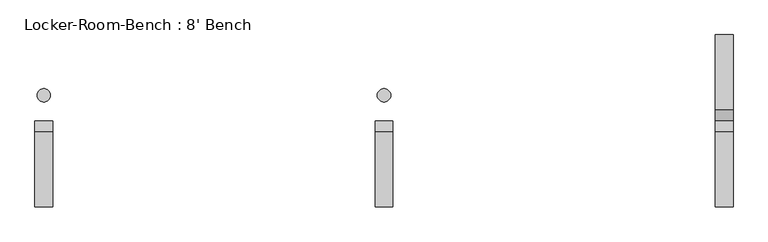
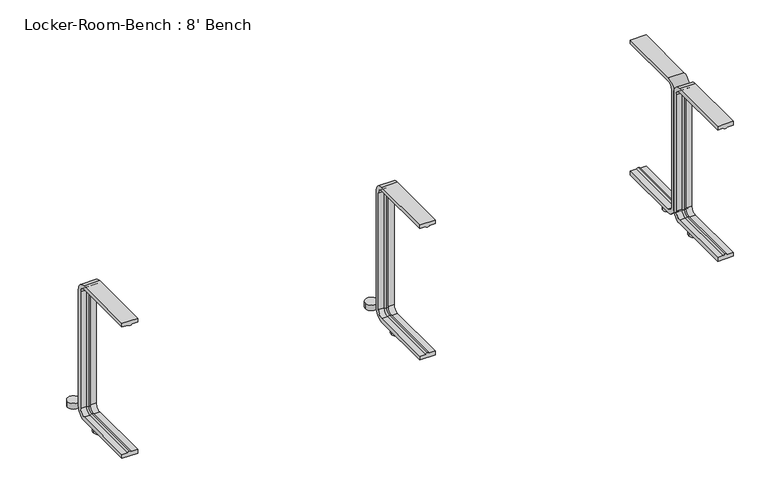
"""IFC4 building model written with IfcOpenShell, lengths in millimetres: proxy geometry, Locker-Room-Bench : 8' Bench."""

from ifc_helpers import new_model, si_unit, point, frame, frame_2d, origin, origin_with_axes, place, context, project, spatial, polyline, circle_curve, ellipse_curve, trimmed, segment, composite_curve, outline, extrude, source, transform, mapped, element, save
from ifc_brep_helpers import plane_surface, cylinder_surface, revolved_surface, advanced_brep


def locker_room_bench_8_bench_313e09f8(model_context):
    return source(origin(), model_context, "Body", "SolidModel", [
        extrude(outline(composite_curve([segment(trimmed(circle_curve(frame_2d((764.4, 57.5)), 15.0), [point((749.4, 57.5))], [point((779.4, 57.5))], False, "CARTESIAN"), True, "CONTINUOUS"), segment(trimmed(circle_curve(frame_2d((764.4, 57.5)), 15.0), [point((779.4, 57.5))], [point((749.4, 57.5))], False, "CARTESIAN"), True, "CONTINUOUS")], self_intersect=False)), origin_with_axes(), (0.0, 0.0, 1.0), 15.0),
        extrude(outline(composite_curve([segment(trimmed(circle_curve(frame_2d((764.4, -57.5)), 15.0), [point((749.4, -57.5))], [point((779.4, -57.5))], False, "CARTESIAN"), True, "CONTINUOUS"), segment(trimmed(circle_curve(frame_2d((764.4, -57.5)), 15.0), [point((779.4, -57.5))], [point((749.4, -57.5))], False, "CARTESIAN"), True, "CONTINUOUS")], self_intersect=False)), origin_with_axes(), (0.0, 0.0, 1.0), 15.0),
        extrude(outline(composite_curve([segment(trimmed(circle_curve(frame_2d((0.0, 57.5)), 15.0), [point((-15.0, 57.5))], [point((15.0, 57.5))], False, "CARTESIAN"), True, "CONTINUOUS"), segment(trimmed(circle_curve(frame_2d((0.0, 57.5)), 15.0), [point((15.0, 57.5))], [point((-15.0, 57.5))], False, "CARTESIAN"), True, "CONTINUOUS")], self_intersect=False)), origin_with_axes(), (0.0, 0.0, 1.0), 15.0),
        extrude(outline(composite_curve([segment(trimmed(circle_curve(frame_2d((0.0, -57.5)), 15.0), [point((-15.0, -57.5))], [point((15.0, -57.5))], False, "CARTESIAN"), True, "CONTINUOUS"), segment(trimmed(circle_curve(frame_2d((0.0, -57.5)), 15.0), [point((15.0, -57.5))], [point((-15.0, -57.5))], False, "CARTESIAN"), True, "CONTINUOUS")], self_intersect=False)), origin_with_axes(), (0.0, 0.0, 1.0), 15.0),
        extrude(outline(composite_curve([segment(trimmed(circle_curve(frame_2d((-764.4, 57.5)), 15.0), [point((-779.4, 57.5))], [point((-749.4, 57.5))], False, "CARTESIAN"), True, "CONTINUOUS"), segment(trimmed(circle_curve(frame_2d((-764.4, 57.5)), 15.0), [point((-749.4, 57.5))], [point((-779.4, 57.5))], False, "CARTESIAN"), True, "CONTINUOUS")], self_intersect=False)), origin_with_axes(), (0.0, 0.0, 1.0), 15.0),
        extrude(outline(composite_curve([segment(trimmed(circle_curve(frame_2d((-764.4, -57.5)), 15.0), [point((-779.4, -57.5))], [point((-749.4, -57.5))], False, "CARTESIAN"), True, "CONTINUOUS"), segment(trimmed(circle_curve(frame_2d((-764.4, -57.5)), 15.0), [point((-749.4, -57.5))], [point((-779.4, -57.5))], False, "CARTESIAN"), True, "CONTINUOUS")], self_intersect=False)), origin_with_axes(), (0.0, 0.0, 1.0), 15.0),
        advanced_brep(
        [(784.4, -193.6, 381.4), (744.4, -193.6, 381.4), (744.4, -193.6, 371.4), (759.4, -193.6, 371.4), (764.4, -193.6, 369.0684617), (769.4, -193.6, 371.4), (784.4, -193.6, 371.4), (784.4, -25.0, 371.4), (784.4, -10.0, 356.4), (784.4, -10.0, 40.0), (784.4, -25.0, 25.0), (784.4, -193.6, 25.0), (784.4, -193.6, 15.0), (784.4, -25.0, 15.0), (784.4, 0.0, 40.0), (784.4, 0.0, 356.4), (784.4, -25.0, 381.4), (769.4, -25.0, 371.4), (764.4, -25.0, 369.0684617), (759.4, -25.0, 371.4), (744.4, -25.0, 371.4), (744.4, -25.0, 381.4), (744.4, 0.0, 356.4), (744.4, 0.0, 40.0), (744.4, -25.0, 15.0), (744.4, -193.6, 15.0), (744.4, -193.6, 25.0), (744.4, -25.0, 25.0), (744.4, -10.0, 40.0), (744.4, -10.0, 356.4), (769.4, -10.0, 356.4), (764.4, -12.3315383, 356.4), (759.4, -10.0, 356.4), (769.4, -10.0, 40.0), (764.4, -12.3315383, 40.0), (759.4, -10.0, 40.0), (769.4, -25.0, 25.0), (764.4, -25.0, 27.3315383), (759.4, -25.0, 25.0), (769.4, -193.6, 25.0), (764.4, -193.6, 27.3315383), (759.4, -193.6, 25.0)],
        [
            (0, 1),
            (1, 2),
            (2, 3),
            (3, 4, circle_curve(frame((764.1003591, -193.6, 374.9529162), z_axis=(0.0, -1.0, 0.0), x_axis=(0.0, 0.0, -1.0)), 5.8920785)),
            (4, 5, circle_curve(frame((764.6996409, -193.6, 374.9529162), z_axis=(0.0, -1.0, 0.0), x_axis=(0.0, 0.0, -1.0)), 5.8920785)),
            (5, 6),
            (6, 0),
            (6, 7),
            (7, 8, circle_curve(frame((784.4, -25.0, 356.4), z_axis=(-1.0, 0.0, 0.0), x_axis=(0.0, 0.0, 1.0)), 15.0)),
            (8, 9),
            (9, 10, circle_curve(frame((784.4, -25.0, 40.0), z_axis=(-1.0, 0.0, 0.0), x_axis=(0.0, 1.0, 0.0)), 15.0)),
            (10, 11),
            (11, 12),
            (12, 13),
            (13, 14, circle_curve(frame((784.4, -25.0, 40.0), z_axis=(1.0, 0.0, 0.0), x_axis=(0.0, 1.0, 0.0)), 25.0)),
            (14, 15),
            (15, 16, circle_curve(frame((784.4, -25.0, 356.4), z_axis=(1.0, 0.0, 0.0), x_axis=(0.0, 0.0, 1.0)), 25.0)),
            (16, 0),
            (5, 17),
            (17, 7),
            (4, 18),
            (18, 17, circle_curve(frame((764.6996409, -25.0, 374.9529162), z_axis=(0.0, -1.0, 0.0), x_axis=(0.0, 0.0, -1.0)), 5.8920785)),
            (3, 19),
            (19, 18, circle_curve(frame((764.1003591, -25.0, 374.9529162), z_axis=(0.0, -1.0, 0.0), x_axis=(0.0, 0.0, -1.0)), 5.8920785)),
            (2, 20),
            (20, 19),
            (1, 21),
            (21, 22, circle_curve(frame((744.4, -25.0, 356.4), z_axis=(-1.0, 0.0, 0.0), x_axis=(0.0, 0.0, 1.0)), 25.0)),
            (22, 23),
            (23, 24, circle_curve(frame((744.4, -25.0, 40.0), z_axis=(-1.0, 0.0, 0.0), x_axis=(0.0, 1.0, 0.0)), 25.0)),
            (24, 25),
            (25, 26),
            (26, 27),
            (27, 28, circle_curve(frame((744.4, -25.0, 40.0), z_axis=(1.0, 0.0, 0.0), x_axis=(0.0, 1.0, 0.0)), 15.0)),
            (28, 29),
            (29, 20, circle_curve(frame((744.4, -25.0, 356.4), z_axis=(1.0, 0.0, 0.0), x_axis=(0.0, 0.0, 1.0)), 15.0)),
            (16, 21),
            (30, 8),
            (17, 30, circle_curve(frame((769.4, -25.0, 356.4), z_axis=(-1.0, 0.0, 0.0), x_axis=(0.0, 0.0, 1.0)), 15.0)),
            (31, 30, circle_curve(frame((764.6996409, -6.4470838, 356.4), z_axis=(0.0, 0.0, 1.0), x_axis=(0.0, -1.0, 0.0)), 5.8920785)),
            (18, 31, circle_curve(frame((764.4, -25.0, 356.4), z_axis=(-1.0, 0.0, 0.0), x_axis=(0.0, 0.0, 1.0)), 12.6684617)),
            (32, 31, circle_curve(frame((764.1003591, -6.4470838, 356.4), z_axis=(0.0, 0.0, 1.0), x_axis=(0.0, -1.0, 0.0)), 5.8920785)),
            (19, 32, circle_curve(frame((759.4, -25.0, 356.4), z_axis=(-1.0, 0.0, 0.0), x_axis=(0.0, 0.0, 1.0)), 15.0)),
            (29, 32),
            (15, 22),
            (30, 33),
            (33, 9),
            (31, 34),
            (34, 33, circle_curve(frame((764.6996409, -6.4470838, 40.0), z_axis=(0.0, 0.0, 1.0), x_axis=(0.0, -1.0, 0.0)), 5.8920785)),
            (32, 35),
            (35, 34, circle_curve(frame((764.1003591, -6.4470838, 40.0), z_axis=(0.0, 0.0, 1.0), x_axis=(0.0, -1.0, 0.0)), 5.8920785)),
            (28, 35),
            (14, 23),
            (36, 10),
            (33, 36, circle_curve(frame((769.4, -25.0, 40.0), z_axis=(-1.0, 0.0, 0.0), x_axis=(0.0, 1.0, 0.0)), 15.0)),
            (37, 36, circle_curve(frame((764.6996409, -25.0, 21.4470838), z_axis=(0.0, 1.0, 0.0), x_axis=(0.0, 0.0, 1.0)), 5.8920785)),
            (34, 37, circle_curve(frame((764.4, -25.0, 40.0), z_axis=(-1.0, 0.0, 0.0), x_axis=(0.0, 1.0, 0.0)), 12.6684617)),
            (38, 37, circle_curve(frame((764.1003591, -25.0, 21.4470838), z_axis=(0.0, 1.0, 0.0), x_axis=(0.0, 0.0, 1.0)), 5.8920785)),
            (35, 38, circle_curve(frame((759.4, -25.0, 40.0), z_axis=(-1.0, 0.0, 0.0), x_axis=(0.0, 1.0, 0.0)), 15.0)),
            (27, 38),
            (13, 24),
            (11, 39),
            (39, 40, circle_curve(frame((764.6996409, -193.6, 21.4470838), z_axis=(0.0, -1.0, 0.0), x_axis=(0.0, 0.0, 1.0)), 5.8920785)),
            (40, 41, circle_curve(frame((764.1003591, -193.6, 21.4470838), z_axis=(0.0, -1.0, 0.0), x_axis=(0.0, 0.0, 1.0)), 5.8920785)),
            (41, 26),
            (25, 12),
            (36, 39),
            (37, 40),
            (38, 41),
        ],
        [
            plane_surface(frame((764.4, -193.6, 381.4), z_axis=(0.0, -1.0, 0.0), x_axis=(1.0, 0.0, 0.0))),
            plane_surface(frame((784.4, -193.6, 381.4), z_axis=(1.0, 0.0, 0.0), x_axis=(0.0, 1.0, 0.0))),
            plane_surface(frame((784.4, -193.6, 371.4), z_axis=(0.0, 0.0, -1.0), x_axis=(0.0, 1.0, 0.0))),
            cylinder_surface(frame((764.6996409, -193.6, 374.9529162), z_axis=(0.0, -1.0, 0.0), x_axis=(0.0, 0.0, -1.0)), 5.8920785),
            cylinder_surface(frame((764.1003591, -193.6, 374.9529162), z_axis=(0.0, -1.0, 0.0), x_axis=(0.0, 0.0, -1.0)), 5.8920785),
            plane_surface(frame((759.4, -193.6, 371.4), z_axis=(0.0, 0.0, -1.0), x_axis=(0.0, 1.0, 0.0))),
            plane_surface(frame((744.4, -193.6, 371.4), z_axis=(-1.0, 0.0, 0.0), x_axis=(0.0, 1.0, 0.0))),
            plane_surface(frame((744.4, -193.6, 381.4), z_axis=(0.0, 0.0, 1.0), x_axis=(0.0, 1.0, 0.0))),
            revolved_surface(polyline([(784.4, -25.0, 371.4), (769.4, -25.0, 371.4)]), (764.4, -25.0, 356.4), (1.0, 0.0, 0.0)),
            revolved_surface(trimmed(ellipse_curve(frame((764.6996409, -25.0, 374.9529162), z_axis=(0.0, 1.0, 0.0), x_axis=(0.0, 0.0, -1.0)), 5.8920785, 5.8920785), [point((769.4, -25.0, 371.4))], [point((764.4, -25.0, 369.0684617))], True, "CARTESIAN"), (764.4, -25.0, 356.4), (1.0, 0.0, 0.0)),
            revolved_surface(trimmed(ellipse_curve(frame((764.1003591, -25.0, 374.9529162), z_axis=(0.0, 1.0, 0.0), x_axis=(0.0, 0.0, -1.0)), 5.8920785, 5.8920785), [point((764.4, -25.0, 369.0684617))], [point((759.4, -25.0, 371.4))], True, "CARTESIAN"), (764.4, -25.0, 356.4), (1.0, 0.0, 0.0)),
            revolved_surface(polyline([(759.4, -25.0, 371.4), (744.4, -25.0, 371.4)]), (764.4, -25.0, 356.4), (1.0, 0.0, 0.0)),
            cylinder_surface(frame((764.4, -25.0, 356.4), z_axis=(1.0, 0.0, 0.0), x_axis=(0.0, 0.0, 1.0)), 25.0),
            plane_surface(frame((784.4, -10.0, 356.4), z_axis=(0.0, -1.0, 0.0), x_axis=(0.0, 0.0, -1.0))),
            cylinder_surface(frame((764.6996409, -6.4470838, 356.4), z_axis=(0.0, 0.0, 1.0), x_axis=(0.0, -1.0, 0.0)), 5.8920785),
            cylinder_surface(frame((764.1003591, -6.4470838, 356.4), z_axis=(0.0, 0.0, 1.0), x_axis=(0.0, -1.0, 0.0)), 5.8920785),
            plane_surface(frame((759.4, -10.0, 356.4), z_axis=(0.0, -1.0, 0.0), x_axis=(0.0, 0.0, -1.0))),
            plane_surface(frame((744.4, 0.0, 356.4), z_axis=(0.0, 1.0, 0.0), x_axis=(0.0, 0.0, -1.0))),
            revolved_surface(polyline([(784.4, -10.0, 40.0), (769.4, -10.0, 40.0)]), (764.4, -25.0, 40.0), (1.0, 0.0, 0.0)),
            revolved_surface(trimmed(ellipse_curve(frame((764.6996409, -6.4470838, 40.0), z_axis=(0.0, 0.0, -1.0), x_axis=(0.0, -1.0, 0.0)), 5.8920785, 5.8920785), [point((769.4, -10.0, 40.0))], [point((764.4, -12.3315383, 40.0))], True, "CARTESIAN"), (764.4, -25.0, 40.0), (1.0, 0.0, 0.0)),
            revolved_surface(trimmed(ellipse_curve(frame((764.1003591, -6.4470838, 40.0), z_axis=(0.0, 0.0, -1.0), x_axis=(0.0, -1.0, 0.0)), 5.8920785, 5.8920785), [point((764.4, -12.3315383, 40.0))], [point((759.4, -10.0, 40.0))], True, "CARTESIAN"), (764.4, -25.0, 40.0), (1.0, 0.0, 0.0)),
            revolved_surface(polyline([(759.4, -10.0, 40.0), (744.4, -10.0, 40.0)]), (764.4, -25.0, 40.0), (1.0, 0.0, 0.0)),
            cylinder_surface(frame((764.4, -25.0, 40.0), z_axis=(1.0, 0.0, 0.0), x_axis=(0.0, 1.0, 0.0)), 25.0),
            plane_surface(frame((764.4, -193.6, 15.0), z_axis=(0.0, -1.0, 0.0), x_axis=(1.0, 0.0, 0.0))),
            plane_surface(frame((784.4, -25.0, 25.0), z_axis=(0.0, 0.0, 1.0), x_axis=(0.0, -1.0, 0.0))),
            cylinder_surface(frame((764.6996409, -25.0, 21.4470838), z_axis=(0.0, 1.0, 0.0), x_axis=(0.0, 0.0, 1.0)), 5.8920785),
            cylinder_surface(frame((764.1003591, -25.0, 21.4470838), z_axis=(0.0, 1.0, 0.0), x_axis=(0.0, 0.0, 1.0)), 5.8920785),
            plane_surface(frame((759.4, -25.0, 25.0), z_axis=(0.0, 0.0, 1.0), x_axis=(0.0, -1.0, 0.0))),
            plane_surface(frame((744.4, -25.0, 15.0), z_axis=(0.0, 0.0, -1.0), x_axis=(0.0, -1.0, 0.0))),
        ],
        [
            (0, [[1, 2, 3, 4, 5, 6, 7]]),
            (1, [[8, 9, 10, 11, 12, 13, 14, 15, 16, 17, 18, -7]]),
            (2, [[19, 20, -8, -6]]),
            (3, [[21, 22, -19, -5]]),
            (4, [[23, 24, -21, -4]]),
            (5, [[25, 26, -23, -3]]),
            (6, [[27, 28, 29, 30, 31, 32, 33, 34, 35, 36, -25, -2]]),
            (7, [[-18, 37, -27, -1]]),
            (8, [[38, -9, -20, 39]]),
            (9, [[40, -39, -22, 41]]),
            (10, [[42, -41, -24, 43]]),
            (11, [[44, -43, -26, -36]]),
            (12, [[45, -28, -37, -17]]),
            (13, [[46, 47, -10, -38]]),
            (14, [[48, 49, -46, -40]]),
            (15, [[50, 51, -48, -42]]),
            (16, [[-35, 52, -50, -44]]),
            (17, [[-16, 53, -29, -45]]),
            (18, [[54, -11, -47, 55]]),
            (19, [[56, -55, -49, 57]]),
            (20, [[58, -57, -51, 59]]),
            (21, [[60, -59, -52, -34]]),
            (22, [[61, -30, -53, -15]]),
            (23, [[-13, 62, 63, 64, 65, -32, 66]]),
            (24, [[67, -62, -12, -54]]),
            (25, [[68, -63, -67, -56]]),
            (26, [[69, -64, -68, -58]]),
            (27, [[-33, -65, -69, -60]]),
            (28, [[-14, -66, -31, -61]]),
        ],
    ),
        advanced_brep(
        [(20.0, -193.6, 381.4), (-20.0, -193.6, 381.4), (-20.0, -193.6, 371.4), (-5.0, -193.6, 371.4), (0.0, -193.6, 369.0684617), (5.0, -193.6, 371.4), (20.0, -193.6, 371.4), (20.0, -25.0, 371.4), (20.0, -10.0, 356.4), (20.0, -10.0, 40.0), (20.0, -25.0, 25.0), (20.0, -193.6, 25.0), (20.0, -193.6, 15.0), (20.0, -25.0, 15.0), (20.0, 0.0, 40.0), (20.0, 0.0, 356.4), (20.0, -25.0, 381.4), (5.0, -25.0, 371.4), (0.0, -25.0, 369.0684617), (-5.0, -25.0, 371.4), (-20.0, -25.0, 371.4), (-20.0, -25.0, 381.4), (-20.0, 0.0, 356.4), (-20.0, 0.0, 40.0), (-20.0, -25.0, 15.0), (-20.0, -193.6, 15.0), (-20.0, -193.6, 25.0), (-20.0, -25.0, 25.0), (-20.0, -10.0, 40.0), (-20.0, -10.0, 356.4), (5.0, -10.0, 356.4), (0.0, -12.3315383, 356.4), (-5.0, -10.0, 356.4), (5.0, -10.0, 40.0), (0.0, -12.3315383, 40.0), (-5.0, -10.0, 40.0), (5.0, -25.0, 25.0), (0.0, -25.0, 27.3315383), (-5.0, -25.0, 25.0), (5.0, -193.6, 25.0), (0.0, -193.6, 27.3315383), (-5.0, -193.6, 25.0)],
        [
            (0, 1),
            (1, 2),
            (2, 3),
            (3, 4, circle_curve(frame((-0.2996409, -193.6, 374.9529162), z_axis=(0.0, -1.0, 0.0), x_axis=(0.0, 0.0, -1.0)), 5.8920785)),
            (4, 5, circle_curve(frame((0.2996409, -193.6, 374.9529162), z_axis=(0.0, -1.0, 0.0), x_axis=(0.0, 0.0, -1.0)), 5.8920785)),
            (5, 6),
            (6, 0),
            (6, 7),
            (7, 8, circle_curve(frame((20.0, -25.0, 356.4), z_axis=(-1.0, 0.0, 0.0), x_axis=(0.0, 0.0, 1.0)), 15.0)),
            (8, 9),
            (9, 10, circle_curve(frame((20.0, -25.0, 40.0), z_axis=(-1.0, 0.0, 0.0), x_axis=(0.0, 1.0, 0.0)), 15.0)),
            (10, 11),
            (11, 12),
            (12, 13),
            (13, 14, circle_curve(frame((20.0, -25.0, 40.0), z_axis=(1.0, 0.0, 0.0), x_axis=(0.0, 1.0, 0.0)), 25.0)),
            (14, 15),
            (15, 16, circle_curve(frame((20.0, -25.0, 356.4), z_axis=(1.0, 0.0, 0.0), x_axis=(0.0, 0.0, 1.0)), 25.0)),
            (16, 0),
            (5, 17),
            (17, 7),
            (4, 18),
            (18, 17, circle_curve(frame((0.2996409, -25.0, 374.9529162), z_axis=(0.0, -1.0, 0.0), x_axis=(0.0, 0.0, -1.0)), 5.8920785)),
            (3, 19),
            (19, 18, circle_curve(frame((-0.2996409, -25.0, 374.9529162), z_axis=(0.0, -1.0, 0.0), x_axis=(0.0, 0.0, -1.0)), 5.8920785)),
            (2, 20),
            (20, 19),
            (1, 21),
            (21, 22, circle_curve(frame((-20.0, -25.0, 356.4), z_axis=(-1.0, 0.0, 0.0), x_axis=(0.0, 0.0, 1.0)), 25.0)),
            (22, 23),
            (23, 24, circle_curve(frame((-20.0, -25.0, 40.0), z_axis=(-1.0, 0.0, 0.0), x_axis=(0.0, 1.0, 0.0)), 25.0)),
            (24, 25),
            (25, 26),
            (26, 27),
            (27, 28, circle_curve(frame((-20.0, -25.0, 40.0), z_axis=(1.0, 0.0, 0.0), x_axis=(0.0, 1.0, 0.0)), 15.0)),
            (28, 29),
            (29, 20, circle_curve(frame((-20.0, -25.0, 356.4), z_axis=(1.0, 0.0, 0.0), x_axis=(0.0, 0.0, 1.0)), 15.0)),
            (16, 21),
            (30, 8),
            (17, 30, circle_curve(frame((5.0, -25.0, 356.4), z_axis=(-1.0, 0.0, 0.0), x_axis=(0.0, 0.0, 1.0)), 15.0)),
            (31, 30, circle_curve(frame((0.2996409, -6.4470838, 356.4), z_axis=(0.0, 0.0, 1.0), x_axis=(0.0, -1.0, 0.0)), 5.8920785)),
            (18, 31, circle_curve(frame((0.0, -25.0, 356.4), z_axis=(-1.0, 0.0, 0.0), x_axis=(0.0, 0.0, 1.0)), 12.6684617)),
            (32, 31, circle_curve(frame((-0.2996409, -6.4470838, 356.4), z_axis=(0.0, 0.0, 1.0), x_axis=(0.0, -1.0, 0.0)), 5.8920785)),
            (19, 32, circle_curve(frame((-5.0, -25.0, 356.4), z_axis=(-1.0, 0.0, 0.0), x_axis=(0.0, 0.0, 1.0)), 15.0)),
            (29, 32),
            (15, 22),
            (30, 33),
            (33, 9),
            (31, 34),
            (34, 33, circle_curve(frame((0.2996409, -6.4470838, 40.0), z_axis=(0.0, 0.0, 1.0), x_axis=(0.0, -1.0, 0.0)), 5.8920785)),
            (32, 35),
            (35, 34, circle_curve(frame((-0.2996409, -6.4470838, 40.0), z_axis=(0.0, 0.0, 1.0), x_axis=(0.0, -1.0, 0.0)), 5.8920785)),
            (28, 35),
            (14, 23),
            (36, 10),
            (33, 36, circle_curve(frame((5.0, -25.0, 40.0), z_axis=(-1.0, 0.0, 0.0), x_axis=(0.0, 1.0, 0.0)), 15.0)),
            (37, 36, circle_curve(frame((0.2996409, -25.0, 21.4470838), z_axis=(0.0, 1.0, 0.0), x_axis=(0.0, 0.0, 1.0)), 5.8920785)),
            (34, 37, circle_curve(frame((0.0, -25.0, 40.0), z_axis=(-1.0, 0.0, 0.0), x_axis=(0.0, 1.0, 0.0)), 12.6684617)),
            (38, 37, circle_curve(frame((-0.2996409, -25.0, 21.4470838), z_axis=(0.0, 1.0, 0.0), x_axis=(0.0, 0.0, 1.0)), 5.8920785)),
            (35, 38, circle_curve(frame((-5.0, -25.0, 40.0), z_axis=(-1.0, 0.0, 0.0), x_axis=(0.0, 1.0, 0.0)), 15.0)),
            (27, 38),
            (13, 24),
            (11, 39),
            (39, 40, circle_curve(frame((0.2996409, -193.6, 21.4470838), z_axis=(0.0, -1.0, 0.0), x_axis=(0.0, 0.0, 1.0)), 5.8920785)),
            (40, 41, circle_curve(frame((-0.2996409, -193.6, 21.4470838), z_axis=(0.0, -1.0, 0.0), x_axis=(0.0, 0.0, 1.0)), 5.8920785)),
            (41, 26),
            (25, 12),
            (36, 39),
            (37, 40),
            (38, 41),
        ],
        [
            plane_surface(frame((0.0, -193.6, 381.4), z_axis=(0.0, -1.0, 0.0), x_axis=(1.0, 0.0, 0.0))),
            plane_surface(frame((20.0, -193.6, 381.4), z_axis=(1.0, 0.0, 0.0), x_axis=(0.0, 1.0, 0.0))),
            plane_surface(frame((20.0, -193.6, 371.4), z_axis=(0.0, 0.0, -1.0), x_axis=(0.0, 1.0, 0.0))),
            cylinder_surface(frame((0.2996409, -193.6, 374.9529162), z_axis=(0.0, -1.0, 0.0), x_axis=(0.0, 0.0, -1.0)), 5.8920785),
            cylinder_surface(frame((-0.2996409, -193.6, 374.9529162), z_axis=(0.0, -1.0, 0.0), x_axis=(0.0, 0.0, -1.0)), 5.8920785),
            plane_surface(frame((-5.0, -193.6, 371.4), z_axis=(0.0, 0.0, -1.0), x_axis=(0.0, 1.0, 0.0))),
            plane_surface(frame((-20.0, -193.6, 371.4), z_axis=(-1.0, 0.0, 0.0), x_axis=(0.0, 1.0, 0.0))),
            plane_surface(frame((-20.0, -193.6, 381.4), z_axis=(0.0, 0.0, 1.0), x_axis=(0.0, 1.0, 0.0))),
            revolved_surface(polyline([(20.0, -25.0, 371.4), (5.0, -25.0, 371.4)]), (0.0, -25.0, 356.4), (1.0, 0.0, 0.0)),
            revolved_surface(trimmed(ellipse_curve(frame((0.2996409, -25.0, 374.9529162), z_axis=(0.0, 1.0, 0.0), x_axis=(0.0, 0.0, -1.0)), 5.8920785, 5.8920785), [point((5.0, -25.0, 371.4))], [point((0.0, -25.0, 369.0684617))], True, "CARTESIAN"), (0.0, -25.0, 356.4), (1.0, 0.0, 0.0)),
            revolved_surface(trimmed(ellipse_curve(frame((-0.2996409, -25.0, 374.9529162), z_axis=(0.0, 1.0, 0.0), x_axis=(0.0, 0.0, -1.0)), 5.8920785, 5.8920785), [point((0.0, -25.0, 369.0684617))], [point((-5.0, -25.0, 371.4))], True, "CARTESIAN"), (0.0, -25.0, 356.4), (1.0, 0.0, 0.0)),
            revolved_surface(polyline([(-5.0, -25.0, 371.4), (-20.0, -25.0, 371.4)]), (0.0, -25.0, 356.4), (1.0, 0.0, 0.0)),
            cylinder_surface(frame((0.0, -25.0, 356.4), z_axis=(1.0, 0.0, 0.0), x_axis=(0.0, 0.0, 1.0)), 25.0),
            plane_surface(frame((20.0, -10.0, 356.4), z_axis=(0.0, -1.0, 0.0), x_axis=(0.0, 0.0, -1.0))),
            cylinder_surface(frame((0.2996409, -6.4470838, 356.4), z_axis=(0.0, 0.0, 1.0), x_axis=(0.0, -1.0, 0.0)), 5.8920785),
            cylinder_surface(frame((-0.2996409, -6.4470838, 356.4), z_axis=(0.0, 0.0, 1.0), x_axis=(0.0, -1.0, 0.0)), 5.8920785),
            plane_surface(frame((-5.0, -10.0, 356.4), z_axis=(0.0, -1.0, 0.0), x_axis=(0.0, 0.0, -1.0))),
            plane_surface(frame((-20.0, 0.0, 356.4), z_axis=(0.0, 1.0, 0.0), x_axis=(0.0, 0.0, -1.0))),
            revolved_surface(polyline([(20.0, -10.0, 40.0), (5.0, -10.0, 40.0)]), (0.0, -25.0, 40.0), (1.0, 0.0, 0.0)),
            revolved_surface(trimmed(ellipse_curve(frame((0.2996409, -6.4470838, 40.0), z_axis=(0.0, 0.0, -1.0), x_axis=(0.0, -1.0, 0.0)), 5.8920785, 5.8920785), [point((5.0, -10.0, 40.0))], [point((0.0, -12.3315383, 40.0))], True, "CARTESIAN"), (0.0, -25.0, 40.0), (1.0, 0.0, 0.0)),
            revolved_surface(trimmed(ellipse_curve(frame((-0.2996409, -6.4470838, 40.0), z_axis=(0.0, 0.0, -1.0), x_axis=(0.0, -1.0, 0.0)), 5.8920785, 5.8920785), [point((0.0, -12.3315383, 40.0))], [point((-5.0, -10.0, 40.0))], True, "CARTESIAN"), (0.0, -25.0, 40.0), (1.0, 0.0, 0.0)),
            revolved_surface(polyline([(-5.0, -10.0, 40.0), (-20.0, -10.0, 40.0)]), (0.0, -25.0, 40.0), (1.0, 0.0, 0.0)),
            cylinder_surface(frame((0.0, -25.0, 40.0), z_axis=(1.0, 0.0, 0.0), x_axis=(0.0, 1.0, 0.0)), 25.0),
            plane_surface(frame((0.0, -193.6, 15.0), z_axis=(0.0, -1.0, 0.0), x_axis=(1.0, 0.0, 0.0))),
            plane_surface(frame((20.0, -25.0, 25.0), z_axis=(0.0, 0.0, 1.0), x_axis=(0.0, -1.0, 0.0))),
            cylinder_surface(frame((0.2996409, -25.0, 21.4470838), z_axis=(0.0, 1.0, 0.0), x_axis=(0.0, 0.0, 1.0)), 5.8920785),
            cylinder_surface(frame((-0.2996409, -25.0, 21.4470838), z_axis=(0.0, 1.0, 0.0), x_axis=(0.0, 0.0, 1.0)), 5.8920785),
            plane_surface(frame((-5.0, -25.0, 25.0), z_axis=(0.0, 0.0, 1.0), x_axis=(0.0, -1.0, 0.0))),
            plane_surface(frame((-20.0, -25.0, 15.0), z_axis=(0.0, 0.0, -1.0), x_axis=(0.0, -1.0, 0.0))),
        ],
        [
            (0, [[1, 2, 3, 4, 5, 6, 7]]),
            (1, [[8, 9, 10, 11, 12, 13, 14, 15, 16, 17, 18, -7]]),
            (2, [[19, 20, -8, -6]]),
            (3, [[21, 22, -19, -5]]),
            (4, [[23, 24, -21, -4]]),
            (5, [[25, 26, -23, -3]]),
            (6, [[27, 28, 29, 30, 31, 32, 33, 34, 35, 36, -25, -2]]),
            (7, [[-18, 37, -27, -1]]),
            (8, [[38, -9, -20, 39]]),
            (9, [[40, -39, -22, 41]]),
            (10, [[42, -41, -24, 43]]),
            (11, [[44, -43, -26, -36]]),
            (12, [[45, -28, -37, -17]]),
            (13, [[46, 47, -10, -38]]),
            (14, [[48, 49, -46, -40]]),
            (15, [[50, 51, -48, -42]]),
            (16, [[-35, 52, -50, -44]]),
            (17, [[-16, 53, -29, -45]]),
            (18, [[54, -11, -47, 55]]),
            (19, [[56, -55, -49, 57]]),
            (20, [[58, -57, -51, 59]]),
            (21, [[60, -59, -52, -34]]),
            (22, [[61, -30, -53, -15]]),
            (23, [[-13, 62, 63, 64, 65, -32, 66]]),
            (24, [[67, -62, -12, -54]]),
            (25, [[68, -63, -67, -56]]),
            (26, [[69, -64, -68, -58]]),
            (27, [[-33, -65, -69, -60]]),
            (28, [[-14, -66, -31, -61]]),
        ],
    ),
        advanced_brep(
        [(-744.4, -193.6, 381.4), (-784.4, -193.6, 381.4), (-784.4, -193.6, 371.4), (-769.4, -193.6, 371.4), (-764.4, -193.6, 369.0684617), (-759.4, -193.6, 371.4), (-744.4, -193.6, 371.4), (-744.4, -25.0, 371.4), (-744.4, -10.0, 356.4), (-744.4, -10.0, 40.0), (-744.4, -25.0, 25.0), (-744.4, -193.6, 25.0), (-744.4, -193.6, 15.0), (-744.4, -25.0, 15.0), (-744.4, 0.0, 40.0), (-744.4, 0.0, 356.4), (-744.4, -25.0, 381.4), (-759.4, -25.0, 371.4), (-764.4, -25.0, 369.0684617), (-769.4, -25.0, 371.4), (-784.4, -25.0, 371.4), (-784.4, -25.0, 381.4), (-784.4, 0.0, 356.4), (-784.4, 0.0, 40.0), (-784.4, -25.0, 15.0), (-784.4, -193.6, 15.0), (-784.4, -193.6, 25.0), (-784.4, -25.0, 25.0), (-784.4, -10.0, 40.0), (-784.4, -10.0, 356.4), (-759.4, -10.0, 356.4), (-764.4, -12.3315383, 356.4), (-769.4, -10.0, 356.4), (-759.4, -10.0, 40.0), (-764.4, -12.3315383, 40.0), (-769.4, -10.0, 40.0), (-759.4, -25.0, 25.0), (-764.4, -25.0, 27.3315383), (-769.4, -25.0, 25.0), (-759.4, -193.6, 25.0), (-764.4, -193.6, 27.3315383), (-769.4, -193.6, 25.0)],
        [
            (0, 1),
            (1, 2),
            (2, 3),
            (3, 4, circle_curve(frame((-764.6996409, -193.6, 374.9529162), z_axis=(0.0, -1.0, 0.0), x_axis=(0.0, 0.0, -1.0)), 5.8920785)),
            (4, 5, circle_curve(frame((-764.1003591, -193.6, 374.9529162), z_axis=(0.0, -1.0, 0.0), x_axis=(0.0, 0.0, -1.0)), 5.8920785)),
            (5, 6),
            (6, 0),
            (6, 7),
            (7, 8, circle_curve(frame((-744.4, -25.0, 356.4), z_axis=(-1.0, 0.0, 0.0), x_axis=(0.0, 0.0, 1.0)), 15.0)),
            (8, 9),
            (9, 10, circle_curve(frame((-744.4, -25.0, 40.0), z_axis=(-1.0, 0.0, 0.0), x_axis=(0.0, 1.0, 0.0)), 15.0)),
            (10, 11),
            (11, 12),
            (12, 13),
            (13, 14, circle_curve(frame((-744.4, -25.0, 40.0), z_axis=(1.0, 0.0, 0.0), x_axis=(0.0, 1.0, 0.0)), 25.0)),
            (14, 15),
            (15, 16, circle_curve(frame((-744.4, -25.0, 356.4), z_axis=(1.0, 0.0, 0.0), x_axis=(0.0, 0.0, 1.0)), 25.0)),
            (16, 0),
            (5, 17),
            (17, 7),
            (4, 18),
            (18, 17, circle_curve(frame((-764.1003591, -25.0, 374.9529162), z_axis=(0.0, -1.0, 0.0), x_axis=(0.0, 0.0, -1.0)), 5.8920785)),
            (3, 19),
            (19, 18, circle_curve(frame((-764.6996409, -25.0, 374.9529162), z_axis=(0.0, -1.0, 0.0), x_axis=(0.0, 0.0, -1.0)), 5.8920785)),
            (2, 20),
            (20, 19),
            (1, 21),
            (21, 22, circle_curve(frame((-784.4, -25.0, 356.4), z_axis=(-1.0, 0.0, 0.0), x_axis=(0.0, 0.0, 1.0)), 25.0)),
            (22, 23),
            (23, 24, circle_curve(frame((-784.4, -25.0, 40.0), z_axis=(-1.0, 0.0, 0.0), x_axis=(0.0, 1.0, 0.0)), 25.0)),
            (24, 25),
            (25, 26),
            (26, 27),
            (27, 28, circle_curve(frame((-784.4, -25.0, 40.0), z_axis=(1.0, 0.0, 0.0), x_axis=(0.0, 1.0, 0.0)), 15.0)),
            (28, 29),
            (29, 20, circle_curve(frame((-784.4, -25.0, 356.4), z_axis=(1.0, 0.0, 0.0), x_axis=(0.0, 0.0, 1.0)), 15.0)),
            (16, 21),
            (30, 8),
            (17, 30, circle_curve(frame((-759.4, -25.0, 356.4), z_axis=(-1.0, 0.0, 0.0), x_axis=(0.0, 0.0, 1.0)), 15.0)),
            (31, 30, circle_curve(frame((-764.1003591, -6.4470838, 356.4), z_axis=(0.0, 0.0, 1.0), x_axis=(0.0, -1.0, 0.0)), 5.8920785)),
            (18, 31, circle_curve(frame((-764.4, -25.0, 356.4), z_axis=(-1.0, 0.0, 0.0), x_axis=(0.0, 0.0, 1.0)), 12.6684617)),
            (32, 31, circle_curve(frame((-764.6996409, -6.4470838, 356.4), z_axis=(0.0, 0.0, 1.0), x_axis=(0.0, -1.0, 0.0)), 5.8920785)),
            (19, 32, circle_curve(frame((-769.4, -25.0, 356.4), z_axis=(-1.0, 0.0, 0.0), x_axis=(0.0, 0.0, 1.0)), 15.0)),
            (29, 32),
            (15, 22),
            (30, 33),
            (33, 9),
            (31, 34),
            (34, 33, circle_curve(frame((-764.1003591, -6.4470838, 40.0), z_axis=(0.0, 0.0, 1.0), x_axis=(0.0, -1.0, 0.0)), 5.8920785)),
            (32, 35),
            (35, 34, circle_curve(frame((-764.6996409, -6.4470838, 40.0), z_axis=(0.0, 0.0, 1.0), x_axis=(0.0, -1.0, 0.0)), 5.8920785)),
            (28, 35),
            (14, 23),
            (36, 10),
            (33, 36, circle_curve(frame((-759.4, -25.0, 40.0), z_axis=(-1.0, 0.0, 0.0), x_axis=(0.0, 1.0, 0.0)), 15.0)),
            (37, 36, circle_curve(frame((-764.1003591, -25.0, 21.4470838), z_axis=(0.0, 1.0, 0.0), x_axis=(0.0, 0.0, 1.0)), 5.8920785)),
            (34, 37, circle_curve(frame((-764.4, -25.0, 40.0), z_axis=(-1.0, 0.0, 0.0), x_axis=(0.0, 1.0, 0.0)), 12.6684617)),
            (38, 37, circle_curve(frame((-764.6996409, -25.0, 21.4470838), z_axis=(0.0, 1.0, 0.0), x_axis=(0.0, 0.0, 1.0)), 5.8920785)),
            (35, 38, circle_curve(frame((-769.4, -25.0, 40.0), z_axis=(-1.0, 0.0, 0.0), x_axis=(0.0, 1.0, 0.0)), 15.0)),
            (27, 38),
            (13, 24),
            (11, 39),
            (39, 40, circle_curve(frame((-764.1003591, -193.6, 21.4470838), z_axis=(0.0, -1.0, 0.0), x_axis=(0.0, 0.0, 1.0)), 5.8920785)),
            (40, 41, circle_curve(frame((-764.6996409, -193.6, 21.4470838), z_axis=(0.0, -1.0, 0.0), x_axis=(0.0, 0.0, 1.0)), 5.8920785)),
            (41, 26),
            (25, 12),
            (36, 39),
            (37, 40),
            (38, 41),
        ],
        [
            plane_surface(frame((-764.4, -193.6, 381.4), z_axis=(0.0, -1.0, 0.0), x_axis=(1.0, 0.0, 0.0))),
            plane_surface(frame((-744.4, -193.6, 381.4), z_axis=(1.0, 0.0, 0.0), x_axis=(0.0, 1.0, 0.0))),
            plane_surface(frame((-744.4, -193.6, 371.4), z_axis=(0.0, 0.0, -1.0), x_axis=(0.0, 1.0, 0.0))),
            cylinder_surface(frame((-764.1003591, -193.6, 374.9529162), z_axis=(0.0, -1.0, 0.0), x_axis=(0.0, 0.0, -1.0)), 5.8920785),
            cylinder_surface(frame((-764.6996409, -193.6, 374.9529162), z_axis=(0.0, -1.0, 0.0), x_axis=(0.0, 0.0, -1.0)), 5.8920785),
            plane_surface(frame((-769.4, -193.6, 371.4), z_axis=(0.0, 0.0, -1.0), x_axis=(0.0, 1.0, 0.0))),
            plane_surface(frame((-784.4, -193.6, 371.4), z_axis=(-1.0, 0.0, 0.0), x_axis=(0.0, 1.0, 0.0))),
            plane_surface(frame((-784.4, -193.6, 381.4), z_axis=(0.0, 0.0, 1.0), x_axis=(0.0, 1.0, 0.0))),
            revolved_surface(polyline([(-744.4, -25.0, 371.4), (-759.4, -25.0, 371.4)]), (-764.4, -25.0, 356.4), (1.0, 0.0, 0.0)),
            revolved_surface(trimmed(ellipse_curve(frame((-764.1003591, -25.0, 374.9529162), z_axis=(0.0, 1.0, 0.0), x_axis=(0.0, 0.0, -1.0)), 5.8920785, 5.8920785), [point((-759.4, -25.0, 371.4))], [point((-764.4, -25.0, 369.0684617))], True, "CARTESIAN"), (-764.4, -25.0, 356.4), (1.0, 0.0, 0.0)),
            revolved_surface(trimmed(ellipse_curve(frame((-764.6996409, -25.0, 374.9529162), z_axis=(0.0, 1.0, 0.0), x_axis=(0.0, 0.0, -1.0)), 5.8920785, 5.8920785), [point((-764.4, -25.0, 369.0684617))], [point((-769.4, -25.0, 371.4))], True, "CARTESIAN"), (-764.4, -25.0, 356.4), (1.0, 0.0, 0.0)),
            revolved_surface(polyline([(-769.4, -25.0, 371.4), (-784.4, -25.0, 371.4)]), (-764.4, -25.0, 356.4), (1.0, 0.0, 0.0)),
            cylinder_surface(frame((-764.4, -25.0, 356.4), z_axis=(1.0, 0.0, 0.0), x_axis=(0.0, 0.0, 1.0)), 25.0),
            plane_surface(frame((-744.4, -10.0, 356.4), z_axis=(0.0, -1.0, 0.0), x_axis=(0.0, 0.0, -1.0))),
            cylinder_surface(frame((-764.1003591, -6.4470838, 356.4), z_axis=(0.0, 0.0, 1.0), x_axis=(0.0, -1.0, 0.0)), 5.8920785),
            cylinder_surface(frame((-764.6996409, -6.4470838, 356.4), z_axis=(0.0, 0.0, 1.0), x_axis=(0.0, -1.0, 0.0)), 5.8920785),
            plane_surface(frame((-769.4, -10.0, 356.4), z_axis=(0.0, -1.0, 0.0), x_axis=(0.0, 0.0, -1.0))),
            plane_surface(frame((-784.4, 0.0, 356.4), z_axis=(0.0, 1.0, 0.0), x_axis=(0.0, 0.0, -1.0))),
            revolved_surface(polyline([(-744.4, -10.0, 40.0), (-759.4, -10.0, 40.0)]), (-764.4, -25.0, 40.0), (1.0, 0.0, 0.0)),
            revolved_surface(trimmed(ellipse_curve(frame((-764.1003591, -6.4470838, 40.0), z_axis=(0.0, 0.0, -1.0), x_axis=(0.0, -1.0, 0.0)), 5.8920785, 5.8920785), [point((-759.4, -10.0, 40.0))], [point((-764.4, -12.3315383, 40.0))], True, "CARTESIAN"), (-764.4, -25.0, 40.0), (1.0, 0.0, 0.0)),
            revolved_surface(trimmed(ellipse_curve(frame((-764.6996409, -6.4470838, 40.0), z_axis=(0.0, 0.0, -1.0), x_axis=(0.0, -1.0, 0.0)), 5.8920785, 5.8920785), [point((-764.4, -12.3315383, 40.0))], [point((-769.4, -10.0, 40.0))], True, "CARTESIAN"), (-764.4, -25.0, 40.0), (1.0, 0.0, 0.0)),
            revolved_surface(polyline([(-769.4, -10.0, 40.0), (-784.4, -10.0, 40.0)]), (-764.4, -25.0, 40.0), (1.0, 0.0, 0.0)),
            cylinder_surface(frame((-764.4, -25.0, 40.0), z_axis=(1.0, 0.0, 0.0), x_axis=(0.0, 1.0, 0.0)), 25.0),
            plane_surface(frame((-764.4, -193.6, 15.0), z_axis=(0.0, -1.0, 0.0), x_axis=(1.0, 0.0, 0.0))),
            plane_surface(frame((-744.4, -25.0, 25.0), z_axis=(0.0, 0.0, 1.0), x_axis=(0.0, -1.0, 0.0))),
            cylinder_surface(frame((-764.1003591, -25.0, 21.4470838), z_axis=(0.0, 1.0, 0.0), x_axis=(0.0, 0.0, 1.0)), 5.8920785),
            cylinder_surface(frame((-764.6996409, -25.0, 21.4470838), z_axis=(0.0, 1.0, 0.0), x_axis=(0.0, 0.0, 1.0)), 5.8920785),
            plane_surface(frame((-769.4, -25.0, 25.0), z_axis=(0.0, 0.0, 1.0), x_axis=(0.0, -1.0, 0.0))),
            plane_surface(frame((-784.4, -25.0, 15.0), z_axis=(0.0, 0.0, -1.0), x_axis=(0.0, -1.0, 0.0))),
        ],
        [
            (0, [[1, 2, 3, 4, 5, 6, 7]]),
            (1, [[8, 9, 10, 11, 12, 13, 14, 15, 16, 17, 18, -7]]),
            (2, [[19, 20, -8, -6]]),
            (3, [[21, 22, -19, -5]]),
            (4, [[23, 24, -21, -4]]),
            (5, [[25, 26, -23, -3]]),
            (6, [[27, 28, 29, 30, 31, 32, 33, 34, 35, 36, -25, -2]]),
            (7, [[-18, 37, -27, -1]]),
            (8, [[38, -9, -20, 39]]),
            (9, [[40, -39, -22, 41]]),
            (10, [[42, -41, -24, 43]]),
            (11, [[44, -43, -26, -36]]),
            (12, [[45, -28, -37, -17]]),
            (13, [[46, 47, -10, -38]]),
            (14, [[48, 49, -46, -40]]),
            (15, [[50, 51, -48, -42]]),
            (16, [[-35, 52, -50, -44]]),
            (17, [[-16, 53, -29, -45]]),
            (18, [[54, -11, -47, 55]]),
            (19, [[56, -55, -49, 57]]),
            (20, [[58, -57, -51, 59]]),
            (21, [[60, -59, -52, -34]]),
            (22, [[61, -30, -53, -15]]),
            (23, [[-13, 62, 63, 64, 65, -32, 66]]),
            (24, [[67, -62, -12, -54]]),
            (25, [[68, -63, -67, -56]]),
            (26, [[69, -64, -68, -58]]),
            (27, [[-33, -65, -69, -60]]),
            (28, [[-14, -66, -31, -61]]),
        ],
    ),
        advanced_brep(
        [(784.4, 193.6, 381.4), (784.4, 193.6, 371.4), (769.4, 193.6, 371.4), (764.4, 193.6, 369.0684617), (759.4, 193.6, 371.4), (744.4, 193.6, 371.4), (744.4, 193.6, 381.4), (744.4, 25.0, 381.4), (784.4, 25.0, 381.4), (744.4, 25.0, 371.4), (744.4, 10.0, 356.4), (744.4, 10.0, 40.0), (744.4, 25.0, 25.0), (744.4, 193.6, 25.0), (744.4, 193.6, 15.0), (744.4, 25.0, 15.0), (744.4, 0.0, 40.0), (744.4, 0.0, 356.4), (759.4, 25.0, 371.4), (764.4, 25.0, 369.0684617), (769.4, 25.0, 371.4), (784.4, 25.0, 371.4), (784.4, 0.0, 356.4), (784.4, 0.0, 40.0), (784.4, 25.0, 15.0), (784.4, 193.6, 15.0), (784.4, 193.6, 25.0), (784.4, 25.0, 25.0), (784.4, 10.0, 40.0), (784.4, 10.0, 356.4), (759.4, 10.0, 356.4), (764.4, 12.3315383, 356.4), (769.4, 10.0, 356.4), (759.4, 10.0, 40.0), (764.4, 12.3315383, 40.0), (769.4, 10.0, 40.0), (759.4, 25.0, 25.0), (764.4, 25.0, 27.3315383), (769.4, 25.0, 25.0), (759.4, 193.6, 25.0), (764.4, 193.6, 27.3315383), (769.4, 193.6, 25.0)],
        [
            (0, 1),
            (1, 2),
            (2, 3, circle_curve(frame((764.6996409, 193.6, 374.9529162), z_axis=(0.0, 1.0, 0.0), x_axis=(0.0, 0.0, 1.0)), 5.8920785)),
            (3, 4, circle_curve(frame((764.1003591, 193.6, 374.9529162), z_axis=(0.0, 1.0, 0.0), x_axis=(0.0, 0.0, 1.0)), 5.8920785)),
            (4, 5),
            (5, 6),
            (6, 0),
            (6, 7),
            (7, 8),
            (8, 0),
            (5, 9),
            (9, 10, circle_curve(frame((744.4, 25.0, 356.4), z_axis=(1.0, 0.0, 0.0), x_axis=(0.0, 0.0, 1.0)), 15.0)),
            (10, 11),
            (11, 12, circle_curve(frame((744.4, 25.0, 40.0), z_axis=(1.0, 0.0, 0.0), x_axis=(0.0, -1.0, 0.0)), 15.0)),
            (12, 13),
            (13, 14),
            (14, 15),
            (15, 16, circle_curve(frame((744.4, 25.0, 40.0), z_axis=(-1.0, 0.0, 0.0), x_axis=(0.0, -1.0, 0.0)), 25.0)),
            (16, 17),
            (17, 7, circle_curve(frame((744.4, 25.0, 356.4), z_axis=(-1.0, 0.0, 0.0), x_axis=(0.0, 0.0, 1.0)), 25.0)),
            (4, 18),
            (18, 9),
            (3, 19),
            (19, 18, circle_curve(frame((764.1003591, 25.0, 374.9529162), z_axis=(0.0, 1.0, 0.0), x_axis=(0.0, 0.0, 1.0)), 5.8920785)),
            (2, 20),
            (20, 19, circle_curve(frame((764.6996409, 25.0, 374.9529162), z_axis=(0.0, 1.0, 0.0), x_axis=(0.0, 0.0, 1.0)), 5.8920785)),
            (1, 21),
            (21, 20),
            (8, 22, circle_curve(frame((784.4, 25.0, 356.4), z_axis=(1.0, 0.0, 0.0), x_axis=(0.0, 0.0, 1.0)), 25.0)),
            (22, 23),
            (23, 24, circle_curve(frame((784.4, 25.0, 40.0), z_axis=(1.0, 0.0, 0.0), x_axis=(0.0, -1.0, 0.0)), 25.0)),
            (24, 25),
            (25, 26),
            (26, 27),
            (27, 28, circle_curve(frame((784.4, 25.0, 40.0), z_axis=(-1.0, 0.0, 0.0), x_axis=(0.0, -1.0, 0.0)), 15.0)),
            (28, 29),
            (29, 21, circle_curve(frame((784.4, 25.0, 356.4), z_axis=(-1.0, 0.0, 0.0), x_axis=(0.0, 0.0, 1.0)), 15.0)),
            (17, 22),
            (30, 10),
            (18, 30, circle_curve(frame((759.4, 25.0, 356.4), z_axis=(1.0, 0.0, 0.0), x_axis=(0.0, 0.0, 1.0)), 15.0)),
            (31, 30, circle_curve(frame((764.1003591, 6.4470838, 356.4), z_axis=(0.0, 0.0, 1.0), x_axis=(0.0, -1.0, 0.0)), 5.8920785)),
            (19, 31, circle_curve(frame((764.4, 25.0, 356.4), z_axis=(1.0, 0.0, 0.0), x_axis=(0.0, 0.0, 1.0)), 12.6684617)),
            (32, 31, circle_curve(frame((764.6996409, 6.4470838, 356.4), z_axis=(0.0, 0.0, 1.0), x_axis=(0.0, -1.0, 0.0)), 5.8920785)),
            (20, 32, circle_curve(frame((769.4, 25.0, 356.4), z_axis=(1.0, 0.0, 0.0), x_axis=(0.0, 0.0, 1.0)), 15.0)),
            (29, 32),
            (16, 23),
            (30, 33),
            (33, 11),
            (31, 34),
            (34, 33, circle_curve(frame((764.1003591, 6.4470838, 40.0), z_axis=(0.0, 0.0, 1.0), x_axis=(0.0, -1.0, 0.0)), 5.8920785)),
            (32, 35),
            (35, 34, circle_curve(frame((764.6996409, 6.4470838, 40.0), z_axis=(0.0, 0.0, 1.0), x_axis=(0.0, -1.0, 0.0)), 5.8920785)),
            (28, 35),
            (15, 24),
            (36, 12),
            (33, 36, circle_curve(frame((759.4, 25.0, 40.0), z_axis=(1.0, 0.0, 0.0), x_axis=(0.0, -1.0, 0.0)), 15.0)),
            (37, 36, circle_curve(frame((764.1003591, 25.0, 21.4470838), z_axis=(0.0, -1.0, 0.0), x_axis=(0.0, 0.0, -1.0)), 5.8920785)),
            (34, 37, circle_curve(frame((764.4, 25.0, 40.0), z_axis=(1.0, 0.0, 0.0), x_axis=(0.0, -1.0, 0.0)), 12.6684617)),
            (38, 37, circle_curve(frame((764.6996409, 25.0, 21.4470838), z_axis=(0.0, -1.0, 0.0), x_axis=(0.0, 0.0, -1.0)), 5.8920785)),
            (35, 38, circle_curve(frame((769.4, 25.0, 40.0), z_axis=(1.0, 0.0, 0.0), x_axis=(0.0, -1.0, 0.0)), 15.0)),
            (27, 38),
            (25, 14),
            (13, 39),
            (39, 40, circle_curve(frame((764.1003591, 193.6, 21.4470838), z_axis=(0.0, 1.0, 0.0), x_axis=(0.0, 0.0, -1.0)), 5.8920785)),
            (40, 41, circle_curve(frame((764.6996409, 193.6, 21.4470838), z_axis=(0.0, 1.0, 0.0), x_axis=(0.0, 0.0, -1.0)), 5.8920785)),
            (41, 26),
            (36, 39),
            (37, 40),
            (38, 41),
        ],
        [
            plane_surface(frame((764.4, 193.6, 381.4), z_axis=(0.0, 1.0, 0.0), x_axis=(1.0, 0.0, 0.0))),
            plane_surface(frame((784.4, 193.6, 381.4), z_axis=(0.0, 0.0, 1.0), x_axis=(0.0, -1.0, 0.0))),
            plane_surface(frame((744.4, 193.6, 381.4), z_axis=(-1.0, 0.0, 0.0), x_axis=(0.0, -1.0, 0.0))),
            plane_surface(frame((744.4, 193.6, 371.4), z_axis=(0.0, 0.0, -1.0), x_axis=(0.0, -1.0, 0.0))),
            cylinder_surface(frame((764.1003591, 193.6, 374.9529162), z_axis=(0.0, 1.0, 0.0), x_axis=(0.0, 0.0, 1.0)), 5.8920785),
            cylinder_surface(frame((764.6996409, 193.6, 374.9529162), z_axis=(0.0, 1.0, 0.0), x_axis=(0.0, 0.0, 1.0)), 5.8920785),
            plane_surface(frame((769.4, 193.6, 371.4), z_axis=(0.0, 0.0, -1.0), x_axis=(0.0, -1.0, 0.0))),
            plane_surface(frame((784.4, 193.6, 371.4), z_axis=(1.0, 0.0, 0.0), x_axis=(0.0, -1.0, 0.0))),
            cylinder_surface(frame((764.4, 25.0, 356.4), z_axis=(-1.0, 0.0, 0.0), x_axis=(0.0, 0.0, 1.0)), 25.0),
            revolved_surface(polyline([(744.4, 25.0, 371.4), (759.4, 25.0, 371.4)]), (764.4, 25.0, 356.4), (-1.0, 0.0, 0.0)),
            revolved_surface(trimmed(ellipse_curve(frame((764.1003591, 25.0, 374.9529162), z_axis=(0.0, -1.0, 0.0), x_axis=(0.0, 0.0, 1.0)), 5.8920785, 5.8920785), [point((759.4, 25.0, 371.4))], [point((764.4, 25.0, 369.0684617))], True, "CARTESIAN"), (764.4, 25.0, 356.4), (-1.0, 0.0, 0.0)),
            revolved_surface(trimmed(ellipse_curve(frame((764.6996409, 25.0, 374.9529162), z_axis=(0.0, -1.0, 0.0), x_axis=(0.0, 0.0, 1.0)), 5.8920785, 5.8920785), [point((764.4, 25.0, 369.0684617))], [point((769.4, 25.0, 371.4))], True, "CARTESIAN"), (764.4, 25.0, 356.4), (-1.0, 0.0, 0.0)),
            revolved_surface(polyline([(769.4, 25.0, 371.4), (784.4, 25.0, 371.4)]), (764.4, 25.0, 356.4), (-1.0, 0.0, 0.0)),
            plane_surface(frame((784.4, 0.0, 356.4), z_axis=(0.0, -1.0, 0.0), x_axis=(0.0, 0.0, -1.0))),
            plane_surface(frame((744.4, 10.0, 356.4), z_axis=(0.0, 1.0, 0.0), x_axis=(0.0, 0.0, -1.0))),
            cylinder_surface(frame((764.1003591, 6.4470838, 356.4), z_axis=(0.0, 0.0, 1.0), x_axis=(0.0, -1.0, 0.0)), 5.8920785),
            cylinder_surface(frame((764.6996409, 6.4470838, 356.4), z_axis=(0.0, 0.0, 1.0), x_axis=(0.0, -1.0, 0.0)), 5.8920785),
            plane_surface(frame((769.4, 10.0, 356.4), z_axis=(0.0, 1.0, 0.0), x_axis=(0.0, 0.0, -1.0))),
            cylinder_surface(frame((764.4, 25.0, 40.0), z_axis=(-1.0, 0.0, 0.0), x_axis=(0.0, -1.0, 0.0)), 25.0),
            revolved_surface(polyline([(744.4, 10.0, 40.0), (759.4, 10.0, 40.0)]), (764.4, 25.0, 40.0), (-1.0, 0.0, 0.0)),
            revolved_surface(trimmed(ellipse_curve(frame((764.1003591, 6.4470838, 40.0), z_axis=(0.0, 0.0, -1.0), x_axis=(0.0, -1.0, 0.0)), 5.8920785, 5.8920785), [point((759.4, 10.0, 40.0))], [point((764.4, 12.3315383, 40.0))], True, "CARTESIAN"), (764.4, 25.0, 40.0), (-1.0, 0.0, 0.0)),
            revolved_surface(trimmed(ellipse_curve(frame((764.6996409, 6.4470838, 40.0), z_axis=(0.0, 0.0, -1.0), x_axis=(0.0, -1.0, 0.0)), 5.8920785, 5.8920785), [point((764.4, 12.3315383, 40.0))], [point((769.4, 10.0, 40.0))], True, "CARTESIAN"), (764.4, 25.0, 40.0), (-1.0, 0.0, 0.0)),
            revolved_surface(polyline([(769.4, 10.0, 40.0), (784.4, 10.0, 40.0)]), (764.4, 25.0, 40.0), (-1.0, 0.0, 0.0)),
            plane_surface(frame((764.4, 193.6, 15.0), z_axis=(0.0, 1.0, 0.0), x_axis=(1.0, 0.0, 0.0))),
            plane_surface(frame((784.4, 25.0, 15.0), z_axis=(0.0, 0.0, -1.0), x_axis=(0.0, 1.0, 0.0))),
            plane_surface(frame((744.4, 25.0, 25.0), z_axis=(0.0, 0.0, 1.0), x_axis=(0.0, 1.0, 0.0))),
            cylinder_surface(frame((764.1003591, 25.0, 21.4470838), z_axis=(0.0, -1.0, 0.0), x_axis=(0.0, 0.0, -1.0)), 5.8920785),
            cylinder_surface(frame((764.6996409, 25.0, 21.4470838), z_axis=(0.0, -1.0, 0.0), x_axis=(0.0, 0.0, -1.0)), 5.8920785),
            plane_surface(frame((769.4, 25.0, 25.0), z_axis=(0.0, 0.0, 1.0), x_axis=(0.0, 1.0, 0.0))),
        ],
        [
            (0, [[1, 2, 3, 4, 5, 6, 7]]),
            (1, [[8, 9, 10, -7]]),
            (2, [[11, 12, 13, 14, 15, 16, 17, 18, 19, 20, -8, -6]]),
            (3, [[21, 22, -11, -5]]),
            (4, [[23, 24, -21, -4]]),
            (5, [[25, 26, -23, -3]]),
            (6, [[27, 28, -25, -2]]),
            (7, [[-10, 29, 30, 31, 32, 33, 34, 35, 36, 37, -27, -1]]),
            (8, [[38, -29, -9, -20]]),
            (9, [[39, -12, -22, 40]]),
            (10, [[41, -40, -24, 42]]),
            (11, [[43, -42, -26, 44]]),
            (12, [[45, -44, -28, -37]]),
            (13, [[-19, 46, -30, -38]]),
            (14, [[47, 48, -13, -39]]),
            (15, [[49, 50, -47, -41]]),
            (16, [[51, 52, -49, -43]]),
            (17, [[-36, 53, -51, -45]]),
            (18, [[54, -31, -46, -18]]),
            (19, [[55, -14, -48, 56]]),
            (20, [[57, -56, -50, 58]]),
            (21, [[59, -58, -52, 60]]),
            (22, [[61, -60, -53, -35]]),
            (23, [[62, -16, 63, 64, 65, 66, -33]]),
            (24, [[-17, -62, -32, -54]]),
            (25, [[67, -63, -15, -55]]),
            (26, [[68, -64, -67, -57]]),
            (27, [[69, -65, -68, -59]]),
            (28, [[-34, -66, -69, -61]]),
        ],
    ),
    ])


if __name__ == "__main__":
    model = new_model("IFC4")
    model_context = context("Model", 3, world=origin())
    ifc_project = project(units=[si_unit("LENGTHUNIT", "METRE", prefix="MILLI")], contexts=[model_context])
    site = spatial("IfcSite", under=ifc_project)
    building = spatial("IfcBuilding", under=site)
    placement = place(None, origin())
    locker_room_bench_8_bench_shape = locker_room_bench_8_bench_313e09f8(model_context)
    element("IfcBuildingElementProxy", 1, Name="Locker-Room-Bench : 8' Bench", ObjectType="Locker-Room-Bench : 8' Bench", at=placement, inside=building, context=model_context, shape_type="MappedRepresentation", body=[
        mapped(locker_room_bench_8_bench_shape, transform((0.0, 0.0, 0.0), x_axis=(1.0, 0.0, 0.0), y_axis=(0.0, 1.0, 0.0), z_axis=(0.0, 0.0, 1.0))),
    ])
    save(model, "model.ifc")
